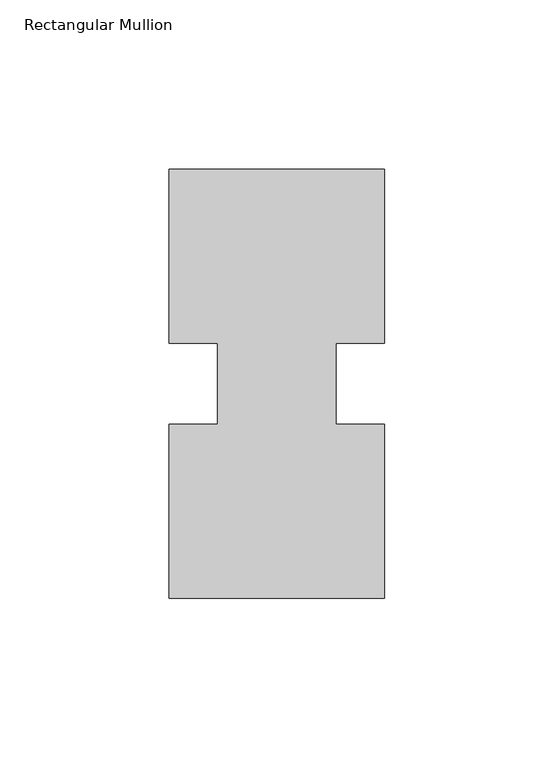
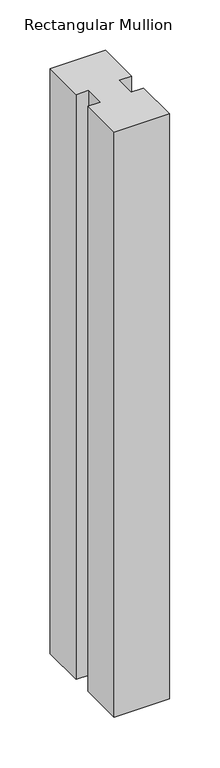
"""IFC4 building model written with IfcOpenShell, lengths in millimetres: member geometry, Rectangular Mullion."""

from ifc_helpers import new_model, si_unit, frame, origin, place, context, project, spatial, polyline, outline, extrude, source, transform, mapped, element, save


def rectangular_mullion_5503bcec(model_context):
    return source(origin(), model_context, "Body", "SweptSolid", [
        extrude(outline(polyline([(-63.5, 0.26035), (-63.5, 51.60645), (-49.2125, 51.60645), (-49.2125, 75.40625), (-63.5, 75.40625), (-63.5, 126.75235), (0.0, 126.75235), (0.0, 75.40625), (-14.2748, 75.40625), (-14.2748, 51.60645), (0.0, 51.60645), (0.0, 0.26035), (-63.5, 0.26035)])), frame((0.0, 0.0, -708.1184633), z_axis=(0.0, 0.0, 1.0), x_axis=(1.0, 0.0, 0.0)), (0.0, 0.0, 1.0), 708.1184633),
    ])


if __name__ == "__main__":
    model = new_model("IFC4")
    model_context = context("Model", 3, world=origin())
    ifc_project = project(units=[si_unit("LENGTHUNIT", "METRE", prefix="MILLI")], contexts=[model_context])
    site = spatial("IfcSite", under=ifc_project)
    building = spatial("IfcBuilding", under=site)
    placement = place(None, origin())
    rectangular_mullion_shape = rectangular_mullion_5503bcec(model_context)
    element("IfcMember", 1, ObjectType="Rectangular Mullion", at=placement, inside=building, context=model_context, shape_type="MappedRepresentation", body=[
        mapped(rectangular_mullion_shape, transform((0.0, 0.0, 0.0), x_axis=(1.0, 0.0, 0.0), y_axis=(0.0, 1.0, 0.0), z_axis=(0.0, 0.0, 1.0))),
    ])
    save(model, "model.ifc")
